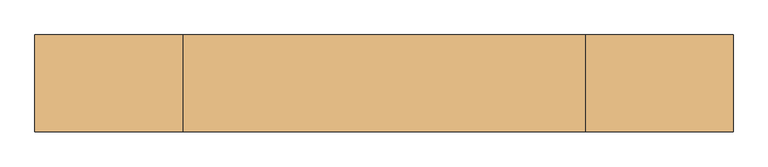
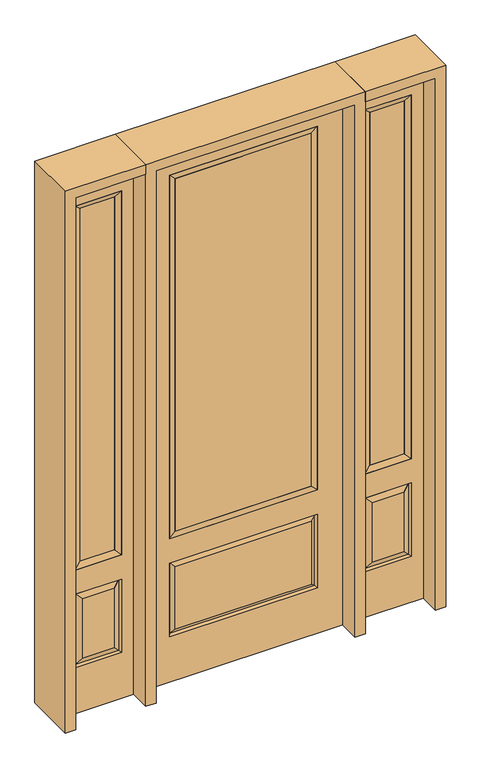
"""IFC4 building model written with IfcOpenShell, lengths in millimetres: door geometry."""

from ifc_helpers import new_model, si_unit, frame, origin, place, context, project, spatial, polyline, outline, extrude, faceted_brep, source, transform, mapped, element, save


def door_c431c5da(model_context):
    return source(origin(), model_context, "Body", "SolidModel", [
        faceted_brep([(476.25, -22.225, 0.0), (781.05, -22.225, 0.0), (781.05, -22.225, 2438.4), (476.25, -22.225, 2438.4), (728.98, -22.225, 2325.624), (728.98, -22.225, 657.098), (528.32, -22.225, 657.098), (528.32, -22.225, 2325.624), (728.98, -22.225, 209.55), (528.32, -22.225, 209.55), (528.32, -22.225, 546.1), (728.98, -22.225, 546.1), (560.0351001, -22.225, 241.2651001), (697.2648999, -22.225, 241.2651001), (697.2648999, -22.225, 514.3848999), (560.0351001, -22.225, 514.3848999), (476.25, 22.225, 0.0), (476.25, 22.225, 2438.4), (781.05, 22.225, 2438.4), (781.05, 22.225, 0.0), (728.98, 22.225, 2325.624), (528.32, 22.225, 2325.624), (528.32, 22.225, 657.098), (728.98, 22.225, 657.098), (528.32, 22.225, 209.55), (728.98, 22.225, 209.55), (728.98, 22.225, 546.1), (528.32, 22.225, 546.1), (697.2648999, 22.225, 241.2651001), (560.0351001, 22.225, 241.2651001), (560.0351001, 22.225, 514.3848999), (697.2648999, 22.225, 514.3848999), (721.8711499, 12.7912373, 216.6588501), (535.4288501, 12.7912373, 216.6588501), (535.4288501, 12.7912373, 538.9911499), (721.8711499, 12.7912373, 538.9911499), (535.4288501, -12.7912373, 216.6588501), (721.8711499, -12.7912373, 216.6588501), (535.4288501, -12.7912373, 538.9911499), (721.8711499, -12.7912373, 538.9911499)], [[[0, 1, 2, 3], [4, 5, 6, 7], [8, 9, 10, 11]], [[12, 13, 14, 15]], [[16, 17, 18, 19], [20, 21, 22, 23], [24, 25, 26, 27]], [[28, 29, 30, 31]], [[1, 0, 16, 19]], [[2, 1, 19, 18]], [[3, 2, 18, 17]], [[0, 3, 17, 16]], [[5, 4, 20, 23]], [[6, 5, 23, 22]], [[7, 6, 22, 21]], [[4, 7, 21, 20]], [[32, 33, 29, 28]], [[33, 32, 25, 24]], [[29, 33, 34, 30]], [[33, 24, 27, 34]], [[30, 34, 35, 31]], [[34, 27, 26, 35]], [[32, 28, 31, 35]], [[25, 32, 35, 26]], [[12, 36, 37, 13]], [[37, 36, 9, 8]], [[36, 12, 15, 38]], [[9, 36, 38, 10]], [[38, 15, 14, 39]], [[10, 38, 39, 11]], [[13, 37, 39, 14]], [[37, 8, 11, 39]]]),
        faceted_brep([(528.32, 22.225, 2325.624), (528.32, -22.225, 2325.624), (728.98, -22.225, 2325.624), (728.98, 22.225, 2325.624), (553.72, 12.7, 2300.224), (703.58, 12.7, 2300.224), (553.72, -12.7, 2300.224), (703.58, -12.7, 2300.224), (728.98, -22.225, 657.098), (728.98, 22.225, 657.098), (703.58, 12.7, 682.498), (703.58, -12.7, 682.498), (528.32, -22.225, 657.098), (528.32, 22.225, 657.098), (553.72, 12.7, 682.498), (553.72, -12.7, 682.498)], [[[0, 1, 2, 3]], [[4, 0, 3, 5]], [[6, 4, 5, 7]], [[1, 6, 7, 2]], [[3, 2, 8, 9]], [[5, 3, 9, 10]], [[7, 5, 10, 11]], [[2, 7, 11, 8]], [[9, 8, 12, 13]], [[10, 9, 13, 14]], [[11, 10, 14, 15]], [[8, 11, 15, 12]], [[13, 12, 1, 0]], [[14, 13, 0, 4]], [[15, 14, 4, 6]], [[12, 15, 6, 1]]]),
        extrude(outline(polyline([(703.58, -12.7), (553.72, -12.7), (553.72, 12.7), (703.58, 12.7), (703.58, -12.7)])), frame((0.0, 0.0, 682.498), z_axis=(0.0, 0.0, 1.0), x_axis=(1.0, 0.0, 0.0)), (0.0, 0.0, 1.0), 1617.726),
        faceted_brep([(-781.05, -22.225, 0.0), (-476.25, -22.225, 0.0), (-476.25, -22.225, 2438.4), (-781.05, -22.225, 2438.4), (-528.32, -22.225, 2325.624), (-528.32, -22.225, 657.098), (-728.98, -22.225, 657.098), (-728.98, -22.225, 2325.624), (-528.32, -22.225, 209.55), (-728.98, -22.225, 209.55), (-728.98, -22.225, 546.1), (-528.32, -22.225, 546.1), (-697.2648999, -22.225, 241.2651001), (-560.0351001, -22.225, 241.2651001), (-560.0351001, -22.225, 514.3848999), (-697.2648999, -22.225, 514.3848999), (-781.05, 22.225, 0.0), (-781.05, 22.225, 2438.4), (-476.25, 22.225, 2438.4), (-476.25, 22.225, 0.0), (-528.32, 22.225, 2325.624), (-728.98, 22.225, 2325.624), (-728.98, 22.225, 657.098), (-528.32, 22.225, 657.098), (-728.98, 22.225, 209.55), (-528.32, 22.225, 209.55), (-528.32, 22.225, 546.1), (-728.98, 22.225, 546.1), (-560.0351001, 22.225, 241.2651001), (-697.2648999, 22.225, 241.2651001), (-697.2648999, 22.225, 514.3848999), (-560.0351001, 22.225, 514.3848999), (-535.4288501, 12.7912373, 216.6588501), (-721.8711499, 12.7912373, 216.6588501), (-721.8711499, 12.7912373, 538.9911499), (-535.4288501, 12.7912373, 538.9911499), (-721.8711499, -12.7912373, 216.6588501), (-535.4288501, -12.7912373, 216.6588501), (-721.8711499, -12.7912373, 538.9911499), (-535.4288501, -12.7912373, 538.9911499)], [[[0, 1, 2, 3], [4, 5, 6, 7], [8, 9, 10, 11]], [[12, 13, 14, 15]], [[16, 17, 18, 19], [20, 21, 22, 23], [24, 25, 26, 27]], [[28, 29, 30, 31]], [[1, 0, 16, 19]], [[2, 1, 19, 18]], [[3, 2, 18, 17]], [[0, 3, 17, 16]], [[5, 4, 20, 23]], [[6, 5, 23, 22]], [[7, 6, 22, 21]], [[4, 7, 21, 20]], [[32, 33, 29, 28]], [[33, 32, 25, 24]], [[29, 33, 34, 30]], [[33, 24, 27, 34]], [[30, 34, 35, 31]], [[34, 27, 26, 35]], [[32, 28, 31, 35]], [[25, 32, 35, 26]], [[12, 36, 37, 13]], [[37, 36, 9, 8]], [[36, 12, 15, 38]], [[9, 36, 38, 10]], [[38, 15, 14, 39]], [[10, 38, 39, 11]], [[13, 37, 39, 14]], [[37, 8, 11, 39]]]),
        faceted_brep([(-728.98, 22.225, 2325.624), (-728.98, -22.225, 2325.624), (-528.32, -22.225, 2325.624), (-528.32, 22.225, 2325.624), (-703.58, 12.7, 2300.224), (-553.72, 12.7, 2300.224), (-703.58, -12.7, 2300.224), (-553.72, -12.7, 2300.224), (-528.32, -22.225, 657.098), (-528.32, 22.225, 657.098), (-553.72, 12.7, 682.498), (-553.72, -12.7, 682.498), (-728.98, -22.225, 657.098), (-728.98, 22.225, 657.098), (-703.58, 12.7, 682.498), (-703.58, -12.7, 682.498)], [[[0, 1, 2, 3]], [[4, 0, 3, 5]], [[6, 4, 5, 7]], [[1, 6, 7, 2]], [[3, 2, 8, 9]], [[5, 3, 9, 10]], [[7, 5, 10, 11]], [[2, 7, 11, 8]], [[9, 8, 12, 13]], [[10, 9, 13, 14]], [[11, 10, 14, 15]], [[8, 11, 15, 12]], [[13, 12, 1, 0]], [[14, 13, 0, 4]], [[15, 14, 4, 6]], [[12, 15, 6, 1]]]),
        extrude(outline(polyline([(-553.72, -12.7), (-703.58, -12.7), (-703.58, 12.7), (-553.72, 12.7), (-553.72, -12.7)])), frame((0.0, 0.0, 682.498), z_axis=(0.0, 0.0, 1.0), x_axis=(1.0, 0.0, 0.0)), (0.0, 0.0, 1.0), 1617.726),
        extrude(outline(polyline([(295.275, -20.32), (-295.275, -20.32), (-295.275, 5.08), (295.275, 5.08), (295.275, -20.32)])), frame((0.0, 0.0, 682.498), z_axis=(0.0, 0.0, 1.0), x_axis=(1.0, 0.0, 0.0)), (0.0, 0.0, 1.0), 1616.202),
        faceted_brep([(-313.5661499, -12.7912373, 216.6588501), (313.5661499, -12.7912373, 216.6588501), (296.06875, -22.225, 234.15625), (-296.06875, -22.225, 234.15625), (-320.675, -22.225, 209.55), (320.675, -22.225, 209.55), (-313.5661499, -12.7912373, 538.9911499), (-320.675, -22.225, 546.1), (296.06875, -22.225, 521.49375), (-296.06875, -22.225, 521.49375), (431.8, -22.225, 2438.4), (-431.8, -22.225, 2438.4), (-431.8, -22.225, 0.0), (431.8, -22.225, 0.0), (320.675, -22.225, 546.1), (320.675, -22.225, 2324.1), (320.675, -22.225, 657.098), (-320.675, -22.225, 657.098), (-320.675, -22.225, 2324.1), (313.5661499, -12.7912373, 538.9911499), (-431.8, 22.225, 2438.4), (-431.8, 22.225, 0.0), (431.8, 22.225, 0.0), (431.8, 22.225, 2438.4), (320.675, 22.225, 2324.1), (320.675, 22.225, 657.098), (-320.675, 22.225, 657.098), (-320.675, 22.225, 2324.1), (-320.675, 22.225, 209.55), (320.675, 22.225, 209.55), (320.675, 22.225, 546.1), (-320.675, 22.225, 546.1), (296.06875, 22.225, 234.15625), (-296.06875, 22.225, 234.15625), (-296.06875, 22.225, 521.49375), (296.06875, 22.225, 521.49375), (-313.5661499, 12.7912373, 216.6588501), (313.5661499, 12.7912373, 216.6588501), (313.5661499, 12.7912373, 538.9911499), (-313.5661499, 12.7912373, 538.9911499)], [[[0, 1, 2, 3]], [[1, 0, 4, 5]], [[4, 0, 6, 7]], [[3, 2, 8, 9]], [[10, 11, 12, 13], [5, 4, 7, 14], [15, 16, 17, 18]], [[1, 5, 14, 19]], [[2, 1, 19, 8]], [[0, 3, 9, 6]], [[7, 6, 19, 14]], [[6, 9, 8, 19]], [[12, 11, 20, 21]], [[13, 12, 21, 22]], [[10, 13, 22, 23]], [[16, 15, 24, 25]], [[17, 16, 25, 26]], [[18, 17, 26, 27]], [[23, 22, 21, 20], [28, 29, 30, 31], [24, 27, 26, 25]], [[32, 33, 34, 35]], [[28, 36, 37, 29]], [[29, 37, 38, 30]], [[39, 31, 30, 38]], [[36, 28, 31, 39]], [[37, 36, 33, 32]], [[33, 36, 39, 34]], [[34, 39, 38, 35]], [[37, 32, 35, 38]], [[11, 10, 23, 20]], [[15, 18, 27, 24]]]),
        faceted_brep([(-320.675, -22.225, 2324.1), (-320.675, 22.225, 2324.1), (-320.675, 22.225, 657.098), (-320.675, -22.225, 657.098), (320.675, 22.225, 657.098), (320.675, -22.225, 657.098), (-295.275, 5.08, 682.498), (295.275, 5.08, 682.498), (320.675, 22.225, 2324.1), (320.675, -22.225, 2324.1), (-295.275, -20.32, 682.498), (295.275, -20.32, 682.498), (-295.275, -20.32, 2298.7), (295.275, -20.32, 2298.7), (-295.275, 5.08, 2298.7), (295.275, 5.08, 2298.7)], [[[0, 1, 2, 3]], [[3, 2, 4, 5]], [[2, 6, 7, 4]], [[5, 4, 8, 9]], [[10, 3, 5, 11]], [[12, 0, 3, 10]], [[11, 5, 9, 13]], [[6, 10, 11, 7]], [[14, 12, 10, 6]], [[7, 11, 13, 15]], [[1, 14, 6, 2]], [[4, 7, 15, 8]], [[9, 8, 1, 0]], [[13, 9, 0, 12]], [[15, 13, 12, 14]], [[8, 15, 14, 1]]]),
        extrude(outline(polyline([(2438.4, -476.25), (2482.85, -476.25), (2482.85, -825.5), (0.0, -825.5), (0.0, -781.05), (2438.4, -781.05), (2438.4, -476.25)])), frame((0.0, -114.3, 0.0), z_axis=(0.0, 1.0, 0.0), x_axis=(0.0, 0.0, 1.0)), (0.0, 0.0, 1.0), 228.6),
        extrude(outline(polyline([(2482.85, -476.25), (0.0, -476.25), (0.0, -431.8), (2438.4, -431.8), (2438.4, 431.8), (0.0, 431.8), (0.0, 476.25), (2482.85, 476.25), (2482.85, -476.25)])), frame((0.0, -114.3, 0.0), z_axis=(0.0, 1.0, 0.0), x_axis=(0.0, 0.0, 1.0)), (0.0, 0.0, 1.0), 228.6),
        extrude(outline(polyline([(0.0, 781.05), (0.0, 825.5), (2482.85, 825.5), (2482.85, 476.25), (2438.4, 476.25), (2438.4, 781.05), (0.0, 781.05)])), frame((0.0, -114.3, 0.0), z_axis=(0.0, 1.0, 0.0), x_axis=(0.0, 0.0, 1.0)), (0.0, 0.0, 1.0), 228.6),
    ])


if __name__ == "__main__":
    model = new_model("IFC4")
    model_context = context("Model", 3, world=origin())
    ifc_project = project(units=[si_unit("LENGTHUNIT", "METRE", prefix="MILLI")], contexts=[model_context])
    site = spatial("IfcSite", under=ifc_project)
    building = spatial("IfcBuilding", under=site)
    placement = place(None, origin())
    door_shape = door_c431c5da(model_context)
    element("IfcDoor", 1, at=placement, inside=building, context=model_context, shape_type="MappedRepresentation", body=[
        mapped(door_shape, transform((0.0, 0.0, 0.0), x_axis=(1.0, 0.0, 0.0), y_axis=(0.0, 1.0, 0.0), z_axis=(0.0, 0.0, 1.0))),
    ])
    save(model, "model.ifc")
